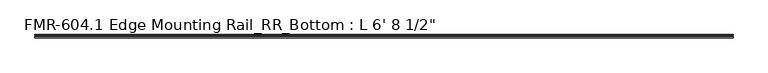
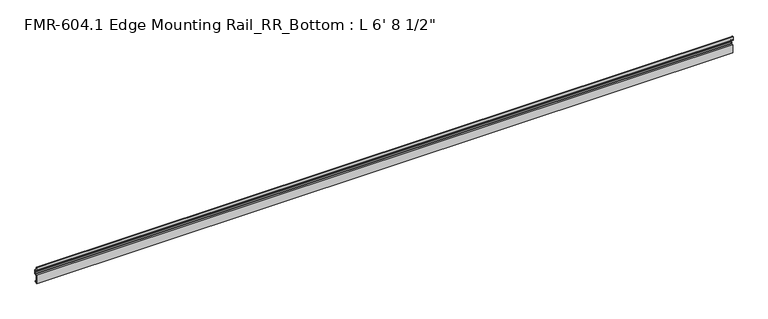
"""IFC4 building model written with IfcOpenShell, lengths in millimetres: proxy geometry."""

from ifc_helpers import new_model, si_unit, point, frame, frame_2d, origin, place, context, project, spatial, polyline, circle_curve, trimmed, segment, composite_curve, outline, extrude, source, transform, mapped, element, save


def proxy_63e91672(model_context):
    return source(origin(), model_context, "Body", "SweptSolid", [
        extrude(outline(composite_curve([segment(polyline([(19.05, 16.8792515), (11.1125, 16.8792515), (11.1125, 42.2833359), (17.3193577, 42.2833359)]), True, "CONTINUOUS"), segment(trimmed(circle_curve(frame_2d((17.3193577, 43.0783559)), 0.79502), [point((17.3193577, 42.2833359))], [point((18.1143777, 43.0783559))], True, "CARTESIAN"), True, "CONTINUOUS"), segment(polyline([(18.1143777, 43.0783559), (18.1143777, 46.9336332), (18.6235415, 47.5853332), (18.6235415, 49.5018353), (18.1143777, 50.1086332), (18.1143777, 53.395922)]), True, "CONTINUOUS"), segment(trimmed(circle_curve(frame_2d((16.5268777, 53.395922)), 1.5875), [point((18.1143777, 53.395922))], [point((16.5268777, 54.983422))], True, "CARTESIAN"), True, "CONTINUOUS"), segment(polyline([(16.5268777, 54.983422), (13.3518777, 54.983422)]), True, "CONTINUOUS"), segment(trimmed(circle_curve(frame_2d((13.3518777, 58.158422)), 3.175), [point((13.3518777, 54.983422))], [point((10.1768777, 58.158422))], False, "CARTESIAN"), True, "CONTINUOUS"), segment(polyline([(10.1768777, 58.158422), (10.1768777, 67.0682251)]), True, "CONTINUOUS"), segment(trimmed(circle_curve(frame_2d((11.3695542, 65.9774674)), 1.6162393), [point((10.1768777, 67.0682251))], [point((12.4982469, 67.1343089))], False, "CARTESIAN"), True, "CONTINUOUS"), segment(polyline([(12.4982469, 67.1343089), (14.307046, 56.570922), (16.5268777, 56.570922)]), True, "CONTINUOUS"), segment(trimmed(circle_curve(frame_2d((16.5268777, 53.395922)), 3.175), [point((16.5268777, 56.570922))], [point((19.7018777, 53.395922))], False, "CARTESIAN"), True, "CONTINUOUS"), segment(polyline([(19.7018777, 53.395922), (19.7018777, 42.2833359)]), True, "CONTINUOUS"), segment(trimmed(circle_curve(frame_2d((18.1143777, 42.2833359)), 1.5875), [point((19.7018777, 42.2833359))], [point((18.1143777, 40.6958359))], False, "CARTESIAN"), True, "CONTINUOUS"), segment(polyline([(18.1143777, 40.6958359), (12.7, 40.6958359), (12.7, 18.4667515), (17.4625, 18.4667515), (17.4625, 20.0542515), (19.05, 20.0542515), (19.05, 16.8792515)]), True, "CONTINUOUS")], self_intersect=False)), frame((-1739.9, 0.0, 0.0), z_axis=(1.0, 0.0, 0.0), x_axis=(0.0, 1.0, 0.0)), (0.0, 0.0, 1.0), 2044.7),
    ])


if __name__ == "__main__":
    model = new_model("IFC4")
    model_context = context("Model", 3, world=origin())
    ifc_project = project(units=[si_unit("LENGTHUNIT", "METRE", prefix="MILLI")], contexts=[model_context])
    site = spatial("IfcSite", under=ifc_project)
    building = spatial("IfcBuilding", under=site)
    placement = place(None, origin())
    proxy_shape = proxy_63e91672(model_context)
    element("IfcBuildingElementProxy", 1, Name="FMR-604.1 Edge Mounting Rail_RR_Bottom : L 6' 8 1/2\"", ObjectType="FMR-604.1 Edge Mounting Rail_RR_Bottom : L 6' 8 1/2\"", at=placement, inside=building, context=model_context, shape_type="MappedRepresentation", body=[
        mapped(proxy_shape, transform((0.0, 0.0, 0.0), x_axis=(1.0, 0.0, 0.0), y_axis=(0.0, 1.0, 0.0), z_axis=(0.0, 0.0, 1.0))),
    ])
    save(model, "model.ifc")
